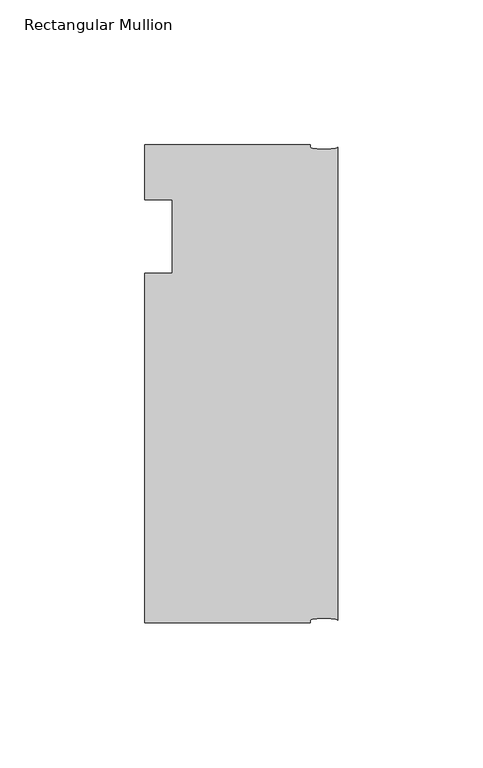
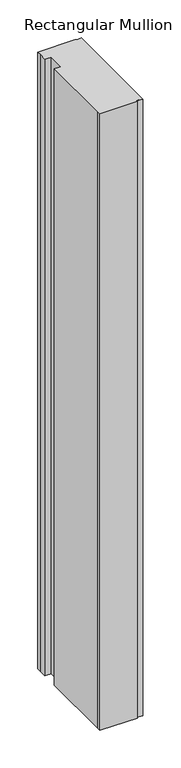
"""IFC4 building model written with IfcOpenShell, lengths in millimetres: member geometry, Rectangular Mullion."""

import ifcopenshell
import ifcopenshell.guid

model = None  # the IFC model being written
_history = None  # IfcOwnerHistory: only IFC2X3 demands one
_inside = {}  # id of a spatial element -> (the spatial element, [elements in it])
_under = {}  # id of a project, library or spatial element -> (it, [spatial elements below it])
_declared = {}  # id of a project -> (the project, [libraries it declares])
_typed = {}  # id of a type object -> (the type object, [elements of that type])
_made_of = {}  # id of a material, layer set ... -> (it, [elements and type objects made of it])


def new_model(schema):
    """Start an empty IFC model of exactly this schema.

    Asked for "IFC4X3", IfcOpenShell would pick the latest addendum, in which some entities
    have other attributes; the version numbers below select the first issue.
    IFC2X3 requires an IfcOwnerHistory on every rooted entity: one is made here for all.
    """
    global model, _history
    if schema == "IFC4X3":
        model = ifcopenshell.file(schema_version=(4, 3, 0, 0))
    else:
        model = ifcopenshell.file(schema=schema)
    _inside.clear()
    _under.clear()
    _declared.clear()
    _typed.clear()
    _made_of.clear()
    _history = None
    if model.schema == "IFC2X3":
        org = make("IfcOrganization", Name="unknown")
        user = make(
            "IfcPersonAndOrganization",
            ThePerson=make("IfcPerson", FamilyName="unknown"),
            TheOrganization=org,
        )
        app = make(
            "IfcApplication",
            ApplicationDeveloper=org,
            Version="unknown",
            ApplicationFullName="unknown",
            ApplicationIdentifier="unknown",
        )
        _history = make(
            "IfcOwnerHistory",
            OwningUser=user,
            OwningApplication=app,
            ChangeAction="ADDED",
            CreationDate=0,
        )
    return model


def make(cls, **values):
    """One entity of the class cls with the attributes given. An attribute that is None is left unset."""
    return model.create_entity(
        cls, **{name: value for name, value in values.items() if value is not None}
    )


def rooted(cls, **values):
    """An entity with a GlobalId (a new one), such as an element, a storey or a relation."""
    return make(cls, GlobalId=ifcopenshell.guid.new(), OwnerHistory=_history, **values)


def si_unit(unit_type, name, prefix=None):
    """IfcSIUnit, for example si_unit("LENGTHUNIT", "METRE", prefix="MILLI")."""
    return make("IfcSIUnit", UnitType=unit_type, Prefix=prefix, Name=name)


def assignment(units):
    """IfcUnitAssignment: the units of a project."""
    return None if units is None else make("IfcUnitAssignment", Units=units)


def point(xyz):
    """IfcCartesianPoint."""
    return None if xyz is None else make("IfcCartesianPoint", Coordinates=xyz)


def direction(xyz):
    """IfcDirection."""
    return None if xyz is None else make("IfcDirection", DirectionRatios=xyz)


def frame(location, z_axis=None, x_axis=None):
    """IfcAxis2Placement3D, a coordinate frame: its origin and axes. An axis left out is left unset."""
    return make(
        "IfcAxis2Placement3D",
        Location=point(location),
        Axis=direction(z_axis),
        RefDirection=direction(x_axis),
    )


def origin():
    """The frame at (0, 0, 0) with its axes left unset."""
    return frame((0.0, 0.0, 0.0))


def place(relative_to, where):
    """IfcLocalPlacement: puts the frame where relative to a parent placement (None: the world)."""
    return make(
        "IfcLocalPlacement", PlacementRelTo=relative_to, RelativePlacement=where
    )


def context(
    kind, dimensions, precision=None, world=None, true_north=None, identifier=None
):
    """IfcGeometricRepresentationContext, for example the 3D "Model" context."""
    return make(
        "IfcGeometricRepresentationContext",
        ContextIdentifier=identifier,
        ContextType=kind,
        CoordinateSpaceDimension=dimensions,
        Precision=precision,
        WorldCoordinateSystem=world,
        TrueNorth=true_north,
    )


def project(units=None, contexts=None):
    """IfcProject with its units and contexts."""
    return rooted(
        "IfcProject",
        Name="project",
        RepresentationContexts=contexts,
        UnitsInContext=assignment(units),
    )


def spatial(cls, under=None, at=None, **own):
    """A site, building, storey or space (cls), placed at a placement, below another one or the project."""
    s = rooted(cls, ObjectPlacement=at, **own)
    if under is not None:
        _under.setdefault(under.id(), (under, []))[1].append(s)
    return s


def ellipse_curve(where, semi_axis1, semi_axis2):
    """IfcEllipse in the frame where."""
    return make(
        "IfcEllipse", Position=where, SemiAxis1=semi_axis1, SemiAxis2=semi_axis2
    )


def trimmed(basis, trim1, trim2, sense, master):
    """IfcTrimmedCurve: the piece of a basis curve between two trims."""
    return make(
        "IfcTrimmedCurve",
        BasisCurve=basis,
        Trim1=trim1,
        Trim2=trim2,
        SenseAgreement=sense,
        MasterRepresentation=master,
    )


def shape(context_of_items, identifier, shape_type, items):
    """IfcShapeRepresentation: the items that make up one representation, for example the "Body"."""
    return make(
        "IfcShapeRepresentation",
        ContextOfItems=context_of_items,
        RepresentationIdentifier=identifier,
        RepresentationType=shape_type,
        Items=items,
    )


def source(mapping_origin, context_of_items, identifier, shape_type, items):
    """IfcRepresentationMap: a shape defined once, which mapped items show again and again."""
    return make(
        "IfcRepresentationMap",
        MappingOrigin=mapping_origin,
        MappedRepresentation=shape(context_of_items, identifier, shape_type, items),
    )


def transform(
    local_origin,
    x_axis=None,
    y_axis=None,
    z_axis=None,
    scale=None,
    scale2=None,
    scale3=None,
    uniform=True,
):
    """IfcCartesianTransformationOperator3D, or its non-uniform kind. x_axis, y_axis, z_axis: its Axis1, 2, 3."""
    if uniform:
        return make(
            "IfcCartesianTransformationOperator3D",
            Axis1=direction(x_axis),
            Axis2=direction(y_axis),
            LocalOrigin=point(local_origin),
            Scale=scale,
            Axis3=direction(z_axis),
        )
    return make(
        "IfcCartesianTransformationOperator3DnonUniform",
        Axis1=direction(x_axis),
        Axis2=direction(y_axis),
        LocalOrigin=point(local_origin),
        Scale=scale,
        Axis3=direction(z_axis),
        Scale2=scale2,
        Scale3=scale3,
    )


def mapped(mapping_source, mapping_target):
    """IfcMappedItem: shows the shape of a source again, moved by a transform."""
    return make(
        "IfcMappedItem", MappingSource=mapping_source, MappingTarget=mapping_target
    )


def made_of(thing, what):
    """Note that an element or type object is made of a material, layer set ...; save() writes the relation."""
    if what is not None:
        _made_of.setdefault(what.id(), (what, []))[1].append(thing)
    return thing


def element(
    cls,
    number,
    at=None,
    inside=None,
    cuts=None,
    type_object=None,
    material=None,
    context=None,
    identifier="Body",
    shape_type=None,
    held_by="IfcProductDefinitionShape",
    body=None,
    shapes=None,
    **own,
):
    """One element of the class cls, such as IfcWall. Its Tag is "e" and its number.

    at: its placement. inside: the storey or other place that contains it. cuts: it is an
    opening in that element (IfcRelVoidsElement). A single representation is given by context,
    identifier, shape_type and body (its items); several are given by shapes. held_by: the class
    of the entity that holds the representations. save() writes the other relations.
    """
    e = rooted(cls, Tag="e%d" % number, ObjectPlacement=at, **own)
    if body is not None:
        shapes = [shape(context, identifier, shape_type, body)]
    if shapes is not None:
        e.Representation = make(held_by, Representations=shapes)
    if inside is not None:
        _inside.setdefault(inside.id(), (inside, []))[1].append(e)
    if cuts is not None:
        rooted(
            "IfcRelVoidsElement", RelatingBuildingElement=cuts, RelatedOpeningElement=e
        )
    if type_object is not None:
        _typed.setdefault(type_object.id(), (type_object, []))[1].append(e)
    return made_of(e, material)


def aggregate(whole, parts):
    """IfcRelAggregates: a whole, such as a stair, and the parts it consists of."""
    return rooted("IfcRelAggregates", RelatingObject=whole, RelatedObjects=parts)


def save(model, path):
    """Write the relations noted so far, then the file.

    IfcRelAggregates (storeys below a building ...), IfcRelContainedInSpatialStructure (elements
    in a storey), IfcRelDefinesByType, IfcRelAssociatesMaterial and IfcRelDeclares: one each for
    every whole, place, type object, material and project.
    """
    for whole, parts in _under.values():
        aggregate(whole, parts)
    for where, things in _inside.values():
        rooted(
            "IfcRelContainedInSpatialStructure",
            RelatedElements=things,
            RelatingStructure=where,
        )
    for kind, things in _typed.values():
        rooted("IfcRelDefinesByType", RelatedObjects=things, RelatingType=kind)
    for what, things in _made_of.values():
        rooted("IfcRelAssociatesMaterial", RelatedObjects=things, RelatingMaterial=what)
    for by, libraries in _declared.values():
        rooted("IfcRelDeclares", RelatingContext=by, RelatedDefinitions=libraries)
    model.write(path)


def plane_surface(at):
    """IfcPlane: the flat surface through the origin of the frame at, square to its z axis."""
    return make("IfcPlane", Position=at)


def extruded_surface(curve, direction_of_extrusion, depth):
    """IfcSurfaceOfLinearExtrusion: the curve pushed along a direction by depth."""
    return make(
        "IfcSurfaceOfLinearExtrusion",
        SweptCurve=make("IfcArbitraryOpenProfileDef", ProfileType="CURVE", Curve=curve),
        ExtrudedDirection=direction(direction_of_extrusion),
        Depth=depth,
    )


def advanced_brep(points, edges, surfaces, faces):
    """IfcAdvancedBrep: a solid bounded by faces that lie on surfaces and meet in shared edges.

    An edge is (start, end): straight between two places in points (the first is 0);
    or (start, end, curve); or (start, end, curve, False) where it runs against its curve.
    A face is (place in surfaces, loops), or (place, loops, False) where it looks against
    its surface's normal. A loop lists edges by number (the first is 1), with a minus sign
    where the edge is run from its end to its start. The first loop is the outer one.
    """
    corners = [point(p) for p in points]
    vertices = [make("IfcVertexPoint", VertexGeometry=c) for c in corners]
    made = []
    for start, end, *more in edges:
        made.append(
            make(
                "IfcEdgeCurve",
                EdgeStart=vertices[start],
                EdgeEnd=vertices[end],
                EdgeGeometry=more[0] if more else make("IfcPolyline", Points=[corners[start], corners[end]]),
                SameSense=more[1] if len(more) > 1 else True,
            )
        )
    hull = []
    for where, loops, *sense in faces:
        bounds = []
        for j, loop in enumerate(loops):
            ring = [make("IfcOrientedEdge", EdgeElement=made[abs(k) - 1], Orientation=k > 0) for k in loop]
            bounds.append(
                make(
                    "IfcFaceOuterBound" if j == 0 else "IfcFaceBound",
                    Bound=make("IfcEdgeLoop", EdgeList=ring),
                    Orientation=True,
                )
            )
        hull.append(make("IfcAdvancedFace", Bounds=bounds, FaceSurface=surfaces[where], SameSense=sense[0] if sense else True))
    return make("IfcAdvancedBrep", Outer=make("IfcClosedShell", CfsFaces=hull))


def rectangular_mullion_81aa51f2(model_context):
    return source(origin(), model_context, "Body", "AdvancedBrep", [
        advanced_brep(
        [(-66.675, -146.05, 0.0), (-9.525, -146.05, 0.0), (-9.525, -145.25625, 0.0), (0.0, -145.25625, 0.0), (0.0, 18.25625, 0.0), (-9.525, 18.25625, 0.0), (-9.525, 19.05, 0.0), (-66.675, 19.05, 0.0), (-66.675, 12.7, 0.0), (-66.675, 0.0, 0.0), (-57.1482296, 0.0, 0.0), (-57.1482296, -25.4, 0.0), (-66.675, -25.4, 0.0), (-66.675, -139.7, 0.0), (-66.675, -146.05, -1000.125), (-66.675, -139.7, -1000.125), (-66.675, -25.4, -1000.125), (-57.1482296, -25.4, -1000.125), (-57.1482296, 0.0, -1000.125), (-66.675, 0.0, -1000.125), (-66.675, 12.7, -1000.125), (-66.675, 19.05, -1000.125), (-9.525, 19.05, -1000.125), (-9.525, 18.25625, -1000.125), (0.0, 18.25625, -1000.125), (0.0, -145.25625, -1000.125), (-9.525, -145.25625, -1000.125), (-9.525, -146.05, -1000.125)],
        [
            (0, 1),
            (1, 2),
            (2, 3, ellipse_curve(frame((-4.7625, -145.25625, 0.0), z_axis=(0.0, 0.0, -1.0), x_axis=(-1.0, 0.0, 0.0)), 4.7625, 0.79375)),
            (3, 4),
            (4, 5, ellipse_curve(frame((-4.7625, 18.25625, 0.0), z_axis=(0.0, 0.0, -1.0), x_axis=(-1.0, 0.0, 0.0)), 4.7625, 0.79375)),
            (5, 6),
            (6, 7),
            (7, 8),
            (8, 9),
            (9, 10),
            (10, 11),
            (11, 12),
            (12, 13),
            (13, 0),
            (14, 15),
            (15, 16),
            (16, 17),
            (17, 18),
            (18, 19),
            (19, 20),
            (20, 21),
            (21, 22),
            (22, 23),
            (23, 24, ellipse_curve(frame((-4.7625, 18.25625, -1000.125), z_axis=(0.0, 0.0, 1.0), x_axis=(-1.0, 0.0, 0.0)), 4.7625, 0.79375)),
            (24, 25),
            (25, 26, ellipse_curve(frame((-4.7625, -145.25625, -1000.125), z_axis=(0.0, 0.0, 1.0), x_axis=(-1.0, 0.0, 0.0)), 4.7625, 0.79375)),
            (26, 27),
            (27, 14),
            (0, 14),
            (27, 1),
            (26, 2),
            (25, 3),
            (24, 4),
            (23, 5),
            (22, 6),
            (21, 7),
            (20, 8),
            (19, 9),
            (18, 10),
            (17, 11),
            (16, 12),
            (15, 13),
        ],
        [
            plane_surface(frame((0.0, -160.5495504, 0.0), z_axis=(0.0, 0.0, 1.0), x_axis=(-1.0, 0.0, 0.0))),
            plane_surface(frame((0.0, -160.5495504, -1000.125), z_axis=(0.0, 0.0, -1.0), x_axis=(-1.0, 0.0, 0.0))),
            plane_surface(frame((-66.675, -146.05, 0.0), z_axis=(0.0, -1.0, 0.0), x_axis=(0.0, 0.0, -1.0))),
            plane_surface(frame((-9.525, -146.05, 0.0), z_axis=(1.0, 0.0, 0.0), x_axis=(0.0, 0.0, -1.0))),
            extruded_surface(trimmed(ellipse_curve(frame((-4.7625, -145.25625, -1000.125), z_axis=(0.0, 0.0, -1.0), x_axis=(-1.0, 0.0, 0.0)), 4.7625, 0.79375), [point((-9.525, -145.25625, -1000.125))], [point((0.0, -145.25625, -1000.125))], True, "CARTESIAN"), (0.0, 0.0, 1000.125), 1000.125),
            plane_surface(frame((0.0, -145.25625, 0.0), z_axis=(1.0, 0.0, 0.0), x_axis=(0.0, 0.0, -1.0))),
            extruded_surface(trimmed(ellipse_curve(frame((-4.7625, 18.25625, -1000.125), z_axis=(0.0, 0.0, -1.0), x_axis=(-1.0, 0.0, 0.0)), 4.7625, 0.79375), [point((0.0, 18.25625, -1000.125))], [point((-9.525, 18.25625, -1000.125))], True, "CARTESIAN"), (0.0, 0.0, 1000.125), 1000.125),
            plane_surface(frame((-9.525, 18.25625, 0.0), z_axis=(1.0, 0.0, 0.0), x_axis=(0.0, 0.0, -1.0))),
            plane_surface(frame((-9.525, 19.05, 0.0), z_axis=(0.0, 1.0, 0.0), x_axis=(0.0, 0.0, -1.0))),
            plane_surface(frame((-66.675, 19.05, 0.0), z_axis=(-1.0, 0.0, 0.0), x_axis=(0.0, 0.0, -1.0))),
            plane_surface(frame((-66.675, 12.7, 0.0), z_axis=(-1.0, 0.0, 0.0), x_axis=(0.0, 0.0, -1.0))),
            plane_surface(frame((-66.675, 0.0, 0.0), z_axis=(0.0, -1.0, 0.0), x_axis=(0.0, 0.0, -1.0))),
            plane_surface(frame((-57.1482296, 0.0, 0.0), z_axis=(-1.0, 0.0, 0.0), x_axis=(0.0, 0.0, -1.0))),
            plane_surface(frame((-57.1482296, -25.4, 0.0), z_axis=(0.0, 1.0, 0.0), x_axis=(0.0, 0.0, -1.0))),
            plane_surface(frame((-66.675, -25.4, 0.0), z_axis=(-1.0, 0.0, 0.0), x_axis=(0.0, 0.0, -1.0))),
            plane_surface(frame((-66.675, -139.7, 0.0), z_axis=(-1.0, 0.0, 0.0), x_axis=(0.0, 0.0, -1.0))),
        ],
        [
            (0, [[1, 2, 3, 4, 5, 6, 7, 8, 9, 10, 11, 12, 13, 14]]),
            (1, [[15, 16, 17, 18, 19, 20, 21, 22, 23, 24, 25, 26, 27, 28]]),
            (2, [[-1, 29, -28, 30]]),
            (3, [[-2, -30, -27, 31]]),
            (4, [[-3, -31, -26, 32]]),
            (5, [[-4, -32, -25, 33]]),
            (6, [[-5, -33, -24, 34]]),
            (7, [[-6, -34, -23, 35]]),
            (8, [[-7, -35, -22, 36]]),
            (9, [[-8, -36, -21, 37]]),
            (10, [[-9, -37, -20, 38]]),
            (11, [[-10, -38, -19, 39]]),
            (12, [[-11, -39, -18, 40]]),
            (13, [[-12, -40, -17, 41]]),
            (14, [[-13, -41, -16, 42]]),
            (15, [[-14, -42, -15, -29]]),
        ],
    ),
    ])


if __name__ == "__main__":
    model = new_model("IFC4")
    model_context = context("Model", 3, world=origin())
    ifc_project = project(units=[si_unit("LENGTHUNIT", "METRE", prefix="MILLI")], contexts=[model_context])
    site = spatial("IfcSite", under=ifc_project)
    building = spatial("IfcBuilding", under=site)
    placement = place(None, origin())
    rectangular_mullion_shape = rectangular_mullion_81aa51f2(model_context)
    element("IfcMember", 1, ObjectType="Rectangular Mullion", at=placement, inside=building, context=model_context, shape_type="MappedRepresentation", body=[
        mapped(rectangular_mullion_shape, transform((0.0, 0.0, 0.0), x_axis=(1.0, 0.0, 0.0), y_axis=(0.0, 1.0, 0.0), z_axis=(0.0, 0.0, 1.0))),
    ])
    save(model, "model.ifc")
